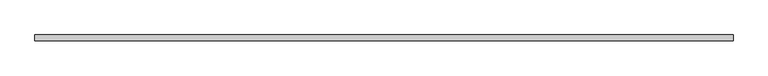
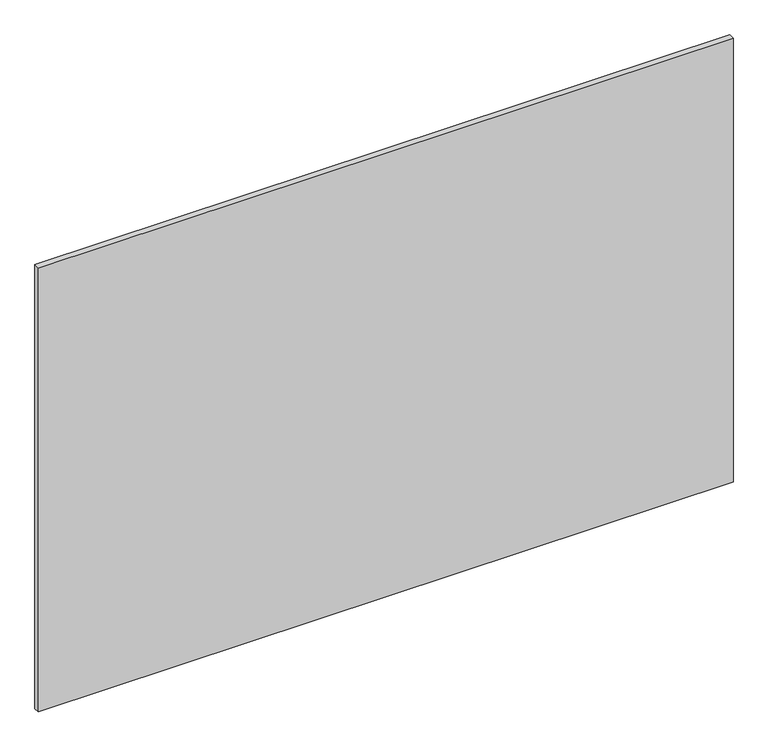
"""IFC4 building model written with IfcOpenShell, lengths in millimetres: plate geometry."""

from ifc_helpers import new_model, si_unit, origin, origin_with_axes, place, context, project, spatial, polyline, outline, extrude, source, transform, mapped, element, save


def plate_4c4316b1(model_context):
    return source(origin(), model_context, "Body", "SweptSolid", [
        extrude(outline(polyline([(616.65, 5.2), (616.65, -5.2), (-616.65, -5.2), (-616.65, 5.2), (616.65, 5.2)])), origin_with_axes(), (0.0, 0.0, 1.0), 833.3),
    ])


if __name__ == "__main__":
    model = new_model("IFC4")
    model_context = context("Model", 3, world=origin())
    ifc_project = project(units=[si_unit("LENGTHUNIT", "METRE", prefix="MILLI")], contexts=[model_context])
    site = spatial("IfcSite", under=ifc_project)
    building = spatial("IfcBuilding", under=site)
    placement = place(None, origin())
    plate_shape = plate_4c4316b1(model_context)
    element("IfcPlate", 1, at=placement, inside=building, context=model_context, shape_type="MappedRepresentation", body=[
        mapped(plate_shape, transform((0.0, 0.0, 0.0), x_axis=(1.0, 0.0, 0.0), y_axis=(0.0, 1.0, 0.0), z_axis=(0.0, 0.0, 1.0))),
    ])
    save(model, "model.ifc")
